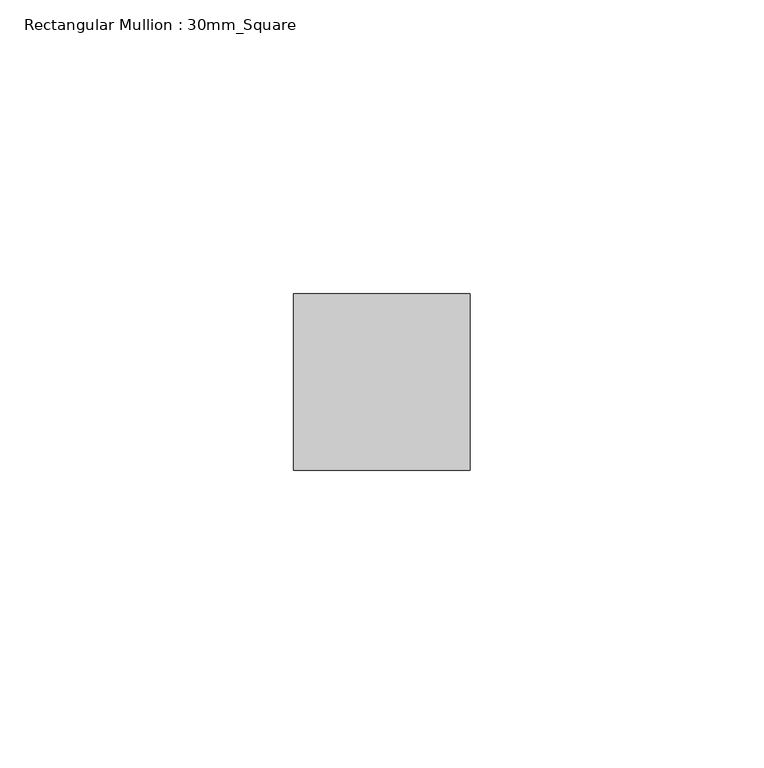
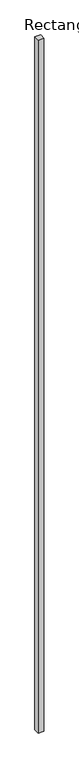
"""IFC4 building model written with IfcOpenShell, lengths in millimetres: member geometry, Rectangular Mullion : 30mm_Square."""

from ifc_helpers import new_model, si_unit, frame, origin, place, context, project, spatial, polyline, outline, extrude, source, transform, mapped, element, save


def rectangular_mullion_30mm_square_437aedd0(model_context):
    return source(origin(), model_context, "Body", "SweptSolid", [
        extrude(outline(polyline([(15.0, 15.0), (15.0, -15.0), (-15.0, -15.0), (-15.0, 15.0), (15.0, 15.0)])), frame((0.0, 0.0, -3850.0), z_axis=(0.0, 0.0, 1.0), x_axis=(1.0, 0.0, 0.0)), (0.0, 0.0, 1.0), 3850.0),
    ])


if __name__ == "__main__":
    model = new_model("IFC4")
    model_context = context("Model", 3, world=origin())
    ifc_project = project(units=[si_unit("LENGTHUNIT", "METRE", prefix="MILLI")], contexts=[model_context])
    site = spatial("IfcSite", under=ifc_project)
    building = spatial("IfcBuilding", under=site)
    placement = place(None, origin())
    rectangular_mullion_30mm_square_shape = rectangular_mullion_30mm_square_437aedd0(model_context)
    element("IfcMember", 1, ObjectType="Rectangular Mullion : 30mm_Square", at=placement, inside=building, context=model_context, shape_type="MappedRepresentation", body=[
        mapped(rectangular_mullion_30mm_square_shape, transform((0.0, 0.0, 0.0), x_axis=(1.0, 0.0, 0.0), y_axis=(0.0, 1.0, 0.0), z_axis=(0.0, 0.0, 1.0))),
    ])
    save(model, "model.ifc")
